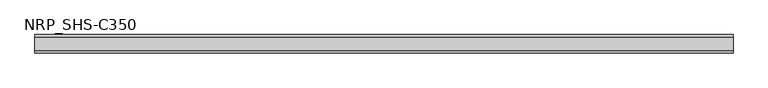
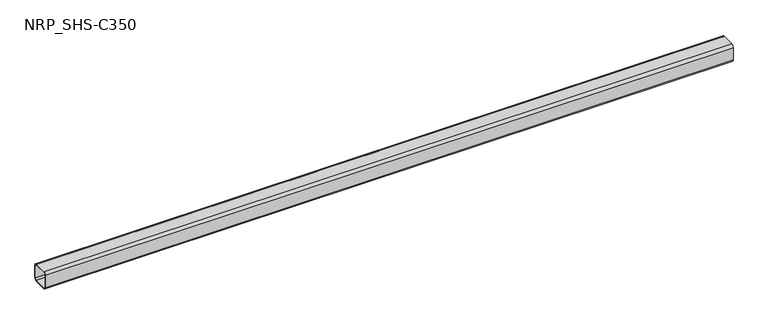
"""IFC4 building model written with IfcOpenShell, lengths in millimetres: member geometry, NRP_SHS-C350."""

from ifc_helpers import new_model, si_unit, point, frame, frame_2d, origin, place, context, project, spatial, polyline, circle_curve, trimmed, segment, composite_curve, outline, extrude, source, transform, mapped, element, save


def nrp_shs_c350_9db605ca(model_context):
    return source(origin(), model_context, "Body", "SweptSolid", [
        extrude(outline(composite_curve([segment(polyline([(44.5, 32.0), (44.5, -32.0)]), True, "CONTINUOUS"), segment(trimmed(circle_curve(frame_2d((32.0, -32.0)), 12.5), [point((44.5, -32.0))], [point((32.0, -44.5))], False, "CARTESIAN"), True, "CONTINUOUS"), segment(polyline([(32.0, -44.5), (-32.0, -44.5)]), True, "CONTINUOUS"), segment(trimmed(circle_curve(frame_2d((-32.0, -32.0)), 12.5), [point((-32.0, -44.5))], [point((-44.5, -32.0))], False, "CARTESIAN"), True, "CONTINUOUS"), segment(polyline([(-44.5, -32.0), (-44.5, 32.0)]), True, "CONTINUOUS"), segment(trimmed(circle_curve(frame_2d((-32.0, 32.0)), 12.5), [point((-44.5, 32.0))], [point((-32.0, 44.5))], False, "CARTESIAN"), True, "CONTINUOUS"), segment(polyline([(-32.0, 44.5), (32.0, 44.5)]), True, "CONTINUOUS"), segment(trimmed(circle_curve(frame_2d((32.0, 32.0)), 12.5), [point((32.0, 44.5))], [point((44.5, 32.0))], False, "CARTESIAN"), True, "CONTINUOUS")], self_intersect=False), holes=[composite_curve([segment(trimmed(circle_curve(frame_2d((-32.0, 32.0)), 7.5), [point((-32.0, 39.5))], [point((-39.5, 32.0))], True, "CARTESIAN"), True, "CONTINUOUS"), segment(polyline([(-39.5, 32.0), (-39.5, -32.0)]), True, "CONTINUOUS"), segment(trimmed(circle_curve(frame_2d((-32.0, -32.0)), 7.5), [point((-39.5, -32.0))], [point((-32.0, -39.5))], True, "CARTESIAN"), True, "CONTINUOUS"), segment(polyline([(-32.0, -39.5), (32.0, -39.5)]), True, "CONTINUOUS"), segment(trimmed(circle_curve(frame_2d((32.0, -32.0)), 7.5), [point((32.0, -39.5))], [point((39.5, -32.0))], True, "CARTESIAN"), True, "CONTINUOUS"), segment(polyline([(39.5, -32.0), (39.5, 32.0)]), True, "CONTINUOUS"), segment(trimmed(circle_curve(frame_2d((32.0, 32.0)), 7.5), [point((39.5, 32.0))], [point((32.0, 39.5))], True, "CARTESIAN"), True, "CONTINUOUS"), segment(polyline([(32.0, 39.5), (-32.0, 39.5)]), True, "CONTINUOUS")], self_intersect=False)]), frame((-1702.0, 0.0, 0.0), z_axis=(1.0, 0.0, 0.0), x_axis=(0.0, 1.0, 0.0)), (0.0, 0.0, 1.0), 3409.0),
    ])


if __name__ == "__main__":
    model = new_model("IFC4")
    model_context = context("Model", 3, world=origin())
    ifc_project = project(units=[si_unit("LENGTHUNIT", "METRE", prefix="MILLI")], contexts=[model_context])
    site = spatial("IfcSite", under=ifc_project)
    building = spatial("IfcBuilding", under=site)
    placement = place(None, origin())
    nrp_shs_c350_shape = nrp_shs_c350_9db605ca(model_context)
    element("IfcMember", 1, ObjectType="NRP_SHS-C350", at=placement, inside=building, context=model_context, shape_type="MappedRepresentation", body=[
        mapped(nrp_shs_c350_shape, transform((0.0, 0.0, 0.0), x_axis=(1.0, 0.0, 0.0), y_axis=(0.0, 1.0, 0.0), z_axis=(0.0, 0.0, 1.0))),
    ])
    save(model, "model.ifc")
